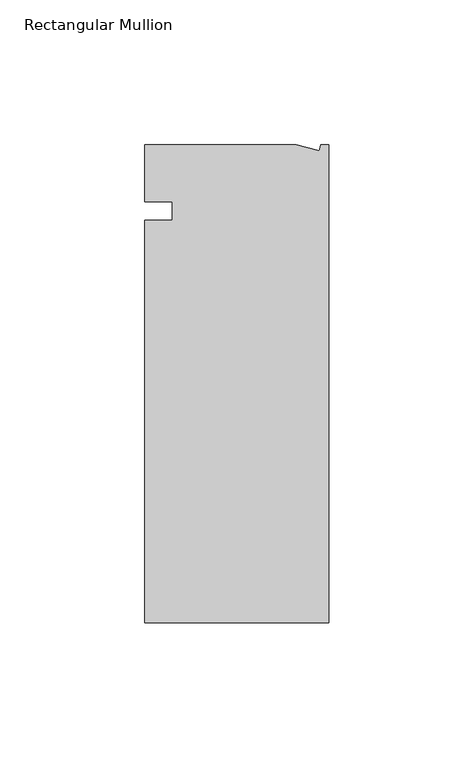
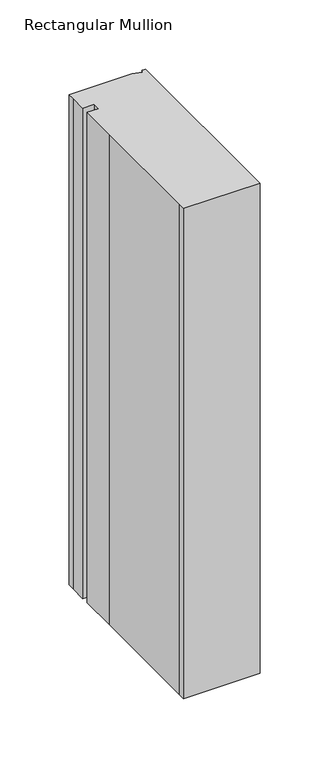
"""IFC4 building model written with IfcOpenShell, lengths in millimetres: member geometry, Rectangular Mullion."""

from ifc_helpers import new_model, si_unit, frame, origin, place, context, project, spatial, polyline, outline, extrude, source, transform, mapped, element, save


def rectangular_mullion_5eaebf31(model_context):
    return source(origin(), model_context, "Body", "SweptSolid", [
        extrude(outline(polyline([(-11.1265412, 19.6597595), (-3.3457217, 17.5748952), (-2.787084, 19.6597595), (0.0, 19.6597595), (0.0, -145.4402405), (-63.5, -145.4402405), (-63.5, -139.0912246), (-63.5, -38.3358837), (-63.5, -6.35), (-53.975, -6.35), (-53.975, 0.0), (-63.5, 0.0), (-63.5, 13.6093403), (-63.5, 19.6597595), (-11.1265412, 19.6597595)])), frame((0.0, 0.0, -431.8), z_axis=(0.0, 0.0, 1.0), x_axis=(1.0, 0.0, 0.0)), (0.0, 0.0, 1.0), 431.8),
    ])


if __name__ == "__main__":
    model = new_model("IFC4")
    model_context = context("Model", 3, world=origin())
    ifc_project = project(units=[si_unit("LENGTHUNIT", "METRE", prefix="MILLI")], contexts=[model_context])
    site = spatial("IfcSite", under=ifc_project)
    building = spatial("IfcBuilding", under=site)
    placement = place(None, origin())
    rectangular_mullion_shape = rectangular_mullion_5eaebf31(model_context)
    element("IfcMember", 1, ObjectType="Rectangular Mullion", at=placement, inside=building, context=model_context, shape_type="MappedRepresentation", body=[
        mapped(rectangular_mullion_shape, transform((0.0, 0.0, 0.0), x_axis=(1.0, 0.0, 0.0), y_axis=(0.0, 1.0, 0.0), z_axis=(0.0, 0.0, 1.0))),
    ])
    save(model, "model.ifc")
